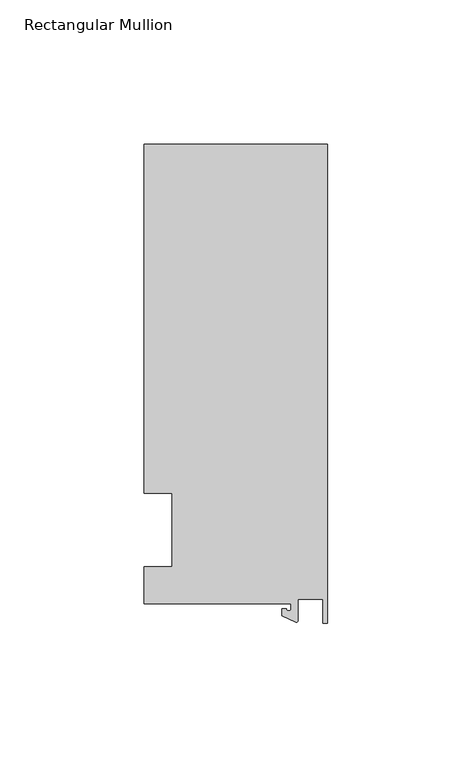
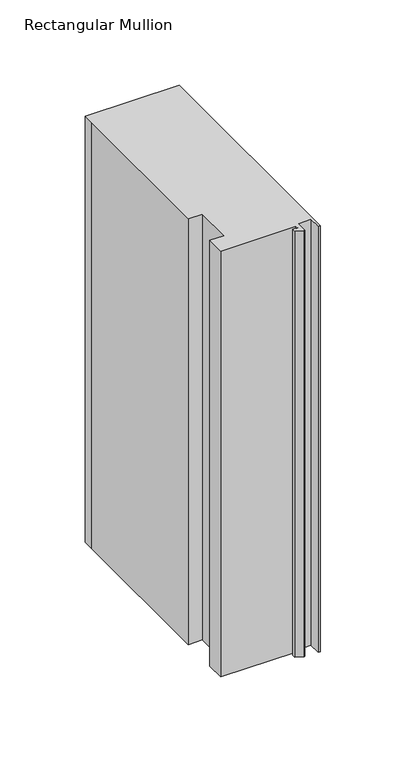
"""IFC4 building model written with IfcOpenShell, lengths in millimetres: member geometry, Rectangular Mullion."""

from ifc_helpers import new_model, si_unit, point, frame, frame_2d, origin, place, context, project, spatial, polyline, circle_curve, trimmed, segment, composite_curve, outline, extrude, source, transform, mapped, element, save


def rectangular_mullion_3bcde37e(model_context):
    return source(origin(), model_context, "Body", "SweptSolid", [
        extrude(outline(composite_curve([segment(polyline([(-12.6979967, -25.4849312), (-63.5, -25.4849312), (-63.5, -12.7), (-53.975, -12.7), (-53.975, 12.7), (-63.5, 12.7), (-63.5, 125.6958688), (-63.5, 133.4428688), (0.0, 133.4428688), (0.0, -32.288874), (-1.5658966, -32.288874), (-1.7144124, -23.9227662), (-10.3103967, -23.9227662), (-10.3103967, -31.3654561)]), True, "CONTINUOUS"), segment(trimmed(circle_curve(frame_2d((-10.8183967, -31.3654561)), 0.508), [point((-10.3103967, -31.3654561))], [point((-11.0330867, -31.8258605))], False, "CARTESIAN"), True, "CONTINUOUS"), segment(polyline([(-11.0330867, -31.8258605), (-15.8729967, -29.5689734), (-15.8729967, -27.2067741), (-14.2854967, -27.2067741)]), True, "CONTINUOUS"), segment(trimmed(circle_curve(frame_2d((-13.4917467, -27.2067741)), 0.79375), [point((-14.2854967, -27.2067741))], [point((-12.6979967, -27.2067741))], True, "CARTESIAN"), True, "CONTINUOUS"), segment(polyline([(-12.6979967, -27.2067741), (-12.6979967, -25.4849312)]), True, "CONTINUOUS")], self_intersect=False)), frame((0.0, 0.0, -304.8), z_axis=(0.0, 0.0, 1.0), x_axis=(1.0, 0.0, 0.0)), (0.0, 0.0, 1.0), 304.8),
    ])


if __name__ == "__main__":
    model = new_model("IFC4")
    model_context = context("Model", 3, world=origin())
    ifc_project = project(units=[si_unit("LENGTHUNIT", "METRE", prefix="MILLI")], contexts=[model_context])
    site = spatial("IfcSite", under=ifc_project)
    building = spatial("IfcBuilding", under=site)
    placement = place(None, origin())
    rectangular_mullion_shape = rectangular_mullion_3bcde37e(model_context)
    element("IfcMember", 1, ObjectType="Rectangular Mullion", at=placement, inside=building, context=model_context, shape_type="MappedRepresentation", body=[
        mapped(rectangular_mullion_shape, transform((0.0, 0.0, 0.0), x_axis=(1.0, 0.0, 0.0), y_axis=(0.0, 1.0, 0.0), z_axis=(0.0, 0.0, 1.0))),
    ])
    save(model, "model.ifc")
